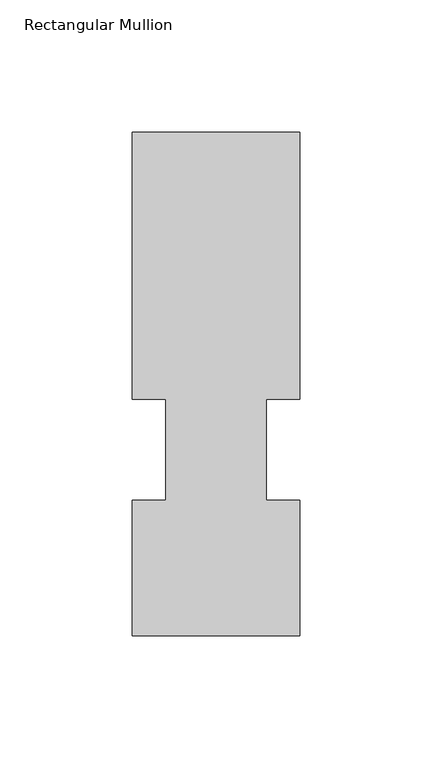
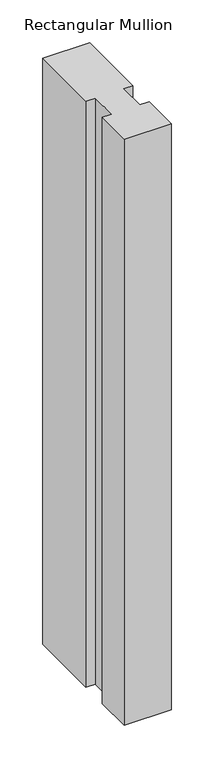
"""IFC4 building model written with IfcOpenShell, lengths in millimetres: member geometry, Rectangular Mullion."""

from ifc_helpers import new_model, si_unit, frame, origin, place, context, project, spatial, polyline, outline, extrude, source, transform, mapped, element, save


def rectangular_mullion_582da8db(model_context):
    return source(origin(), model_context, "Body", "SweptSolid", [
        extrude(outline(polyline([(31.75, 51.4945313), (31.75, 0.2119313), (-31.75, 0.2119313), (-31.75, 51.4945313), (-19.05, 51.4945313), (-19.05, 89.5945313), (-31.75, 89.5945313), (-31.75, 190.7881312), (31.7499998, 190.7881312), (31.7499998, 89.5945313), (19.05, 89.5945313), (19.05, 51.4945313), (31.75, 51.4945313)])), frame((0.0, 0.0, -838.2), z_axis=(0.0, 0.0, 1.0), x_axis=(1.0, 0.0, 0.0)), (0.0, 0.0, 1.0), 838.2),
    ])


if __name__ == "__main__":
    model = new_model("IFC4")
    model_context = context("Model", 3, world=origin())
    ifc_project = project(units=[si_unit("LENGTHUNIT", "METRE", prefix="MILLI")], contexts=[model_context])
    site = spatial("IfcSite", under=ifc_project)
    building = spatial("IfcBuilding", under=site)
    placement = place(None, origin())
    rectangular_mullion_shape = rectangular_mullion_582da8db(model_context)
    element("IfcMember", 1, ObjectType="Rectangular Mullion", at=placement, inside=building, context=model_context, shape_type="MappedRepresentation", body=[
        mapped(rectangular_mullion_shape, transform((0.0, 0.0, 0.0), x_axis=(1.0, 0.0, 0.0), y_axis=(0.0, 1.0, 0.0), z_axis=(0.0, 0.0, 1.0))),
    ])
    save(model, "model.ifc")
